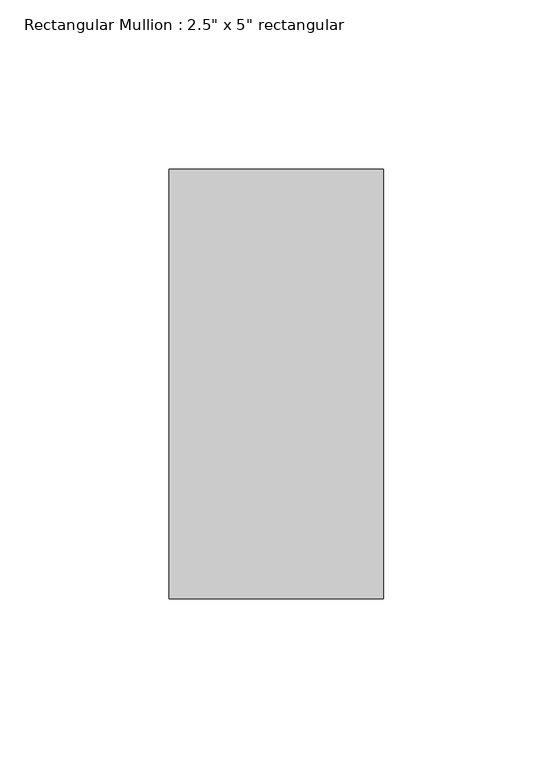
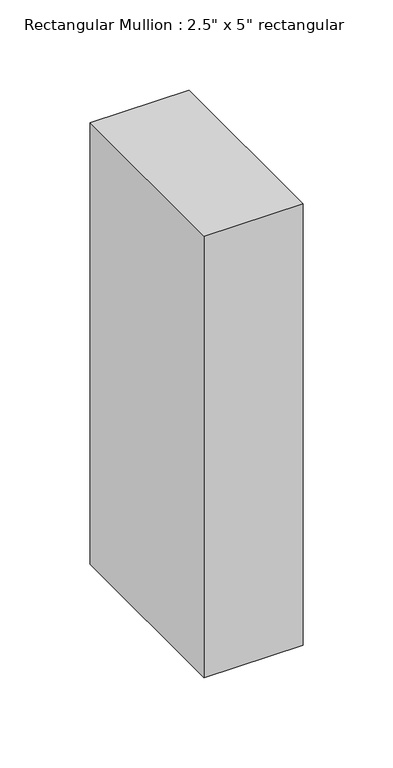
"""IFC4 building model written with IfcOpenShell, lengths in millimetres: member geometry."""

import ifcopenshell
import ifcopenshell.guid

model = None  # the IFC model being written
_history = None  # IfcOwnerHistory: only IFC2X3 demands one
_inside = {}  # id of a spatial element -> (the spatial element, [elements in it])
_under = {}  # id of a project, library or spatial element -> (it, [spatial elements below it])
_declared = {}  # id of a project -> (the project, [libraries it declares])
_typed = {}  # id of a type object -> (the type object, [elements of that type])
_made_of = {}  # id of a material, layer set ... -> (it, [elements and type objects made of it])


def new_model(schema):
    """Start an empty IFC model of exactly this schema.

    Asked for "IFC4X3", IfcOpenShell would pick the latest addendum, in which some entities
    have other attributes; the version numbers below select the first issue.
    IFC2X3 requires an IfcOwnerHistory on every rooted entity: one is made here for all.
    """
    global model, _history
    if schema == "IFC4X3":
        model = ifcopenshell.file(schema_version=(4, 3, 0, 0))
    else:
        model = ifcopenshell.file(schema=schema)
    _inside.clear()
    _under.clear()
    _declared.clear()
    _typed.clear()
    _made_of.clear()
    _history = None
    if model.schema == "IFC2X3":
        org = make("IfcOrganization", Name="unknown")
        user = make(
            "IfcPersonAndOrganization",
            ThePerson=make("IfcPerson", FamilyName="unknown"),
            TheOrganization=org,
        )
        app = make(
            "IfcApplication",
            ApplicationDeveloper=org,
            Version="unknown",
            ApplicationFullName="unknown",
            ApplicationIdentifier="unknown",
        )
        _history = make(
            "IfcOwnerHistory",
            OwningUser=user,
            OwningApplication=app,
            ChangeAction="ADDED",
            CreationDate=0,
        )
    return model


def make(cls, **values):
    """One entity of the class cls with the attributes given. An attribute that is None is left unset."""
    return model.create_entity(
        cls, **{name: value for name, value in values.items() if value is not None}
    )


def rooted(cls, **values):
    """An entity with a GlobalId (a new one), such as an element, a storey or a relation."""
    return make(cls, GlobalId=ifcopenshell.guid.new(), OwnerHistory=_history, **values)


def si_unit(unit_type, name, prefix=None):
    """IfcSIUnit, for example si_unit("LENGTHUNIT", "METRE", prefix="MILLI")."""
    return make("IfcSIUnit", UnitType=unit_type, Prefix=prefix, Name=name)


def assignment(units):
    """IfcUnitAssignment: the units of a project."""
    return None if units is None else make("IfcUnitAssignment", Units=units)


def point(xyz):
    """IfcCartesianPoint."""
    return None if xyz is None else make("IfcCartesianPoint", Coordinates=xyz)


def direction(xyz):
    """IfcDirection."""
    return None if xyz is None else make("IfcDirection", DirectionRatios=xyz)


def frame(location, z_axis=None, x_axis=None):
    """IfcAxis2Placement3D, a coordinate frame: its origin and axes. An axis left out is left unset."""
    return make(
        "IfcAxis2Placement3D",
        Location=point(location),
        Axis=direction(z_axis),
        RefDirection=direction(x_axis),
    )


def origin():
    """The frame at (0, 0, 0) with its axes left unset."""
    return frame((0.0, 0.0, 0.0))


def place(relative_to, where):
    """IfcLocalPlacement: puts the frame where relative to a parent placement (None: the world)."""
    return make(
        "IfcLocalPlacement", PlacementRelTo=relative_to, RelativePlacement=where
    )


def context(
    kind, dimensions, precision=None, world=None, true_north=None, identifier=None
):
    """IfcGeometricRepresentationContext, for example the 3D "Model" context."""
    return make(
        "IfcGeometricRepresentationContext",
        ContextIdentifier=identifier,
        ContextType=kind,
        CoordinateSpaceDimension=dimensions,
        Precision=precision,
        WorldCoordinateSystem=world,
        TrueNorth=true_north,
    )


def project(units=None, contexts=None):
    """IfcProject with its units and contexts."""
    return rooted(
        "IfcProject",
        Name="project",
        RepresentationContexts=contexts,
        UnitsInContext=assignment(units),
    )


def spatial(cls, under=None, at=None, **own):
    """A site, building, storey or space (cls), placed at a placement, below another one or the project."""
    s = rooted(cls, ObjectPlacement=at, **own)
    if under is not None:
        _under.setdefault(under.id(), (under, []))[1].append(s)
    return s


def polyline(points):
    """IfcPolyline through the points."""
    return make("IfcPolyline", Points=[point(p) for p in points])


def outline(outer, holes=None, kind="AREA"):
    """IfcArbitraryClosedProfileDef: a profile drawn as a closed curve; with holes, ...WithVoids."""
    if holes is None:
        return make("IfcArbitraryClosedProfileDef", ProfileType=kind, OuterCurve=outer)
    return make(
        "IfcArbitraryProfileDefWithVoids",
        ProfileType=kind,
        OuterCurve=outer,
        InnerCurves=holes,
    )


def extrude(swept, where, along, depth):
    """IfcExtrudedAreaSolid: the profile swept, set in the frame where, extruded along a direction by depth."""
    return make(
        "IfcExtrudedAreaSolid",
        SweptArea=swept,
        Position=where,
        ExtrudedDirection=direction(along),
        Depth=depth,
    )


def shape(context_of_items, identifier, shape_type, items):
    """IfcShapeRepresentation: the items that make up one representation, for example the "Body"."""
    return make(
        "IfcShapeRepresentation",
        ContextOfItems=context_of_items,
        RepresentationIdentifier=identifier,
        RepresentationType=shape_type,
        Items=items,
    )


def source(mapping_origin, context_of_items, identifier, shape_type, items):
    """IfcRepresentationMap: a shape defined once, which mapped items show again and again."""
    return make(
        "IfcRepresentationMap",
        MappingOrigin=mapping_origin,
        MappedRepresentation=shape(context_of_items, identifier, shape_type, items),
    )


def transform(
    local_origin,
    x_axis=None,
    y_axis=None,
    z_axis=None,
    scale=None,
    scale2=None,
    scale3=None,
    uniform=True,
):
    """IfcCartesianTransformationOperator3D, or its non-uniform kind. x_axis, y_axis, z_axis: its Axis1, 2, 3."""
    if uniform:
        return make(
            "IfcCartesianTransformationOperator3D",
            Axis1=direction(x_axis),
            Axis2=direction(y_axis),
            LocalOrigin=point(local_origin),
            Scale=scale,
            Axis3=direction(z_axis),
        )
    return make(
        "IfcCartesianTransformationOperator3DnonUniform",
        Axis1=direction(x_axis),
        Axis2=direction(y_axis),
        LocalOrigin=point(local_origin),
        Scale=scale,
        Axis3=direction(z_axis),
        Scale2=scale2,
        Scale3=scale3,
    )


def mapped(mapping_source, mapping_target):
    """IfcMappedItem: shows the shape of a source again, moved by a transform."""
    return make(
        "IfcMappedItem", MappingSource=mapping_source, MappingTarget=mapping_target
    )


def made_of(thing, what):
    """Note that an element or type object is made of a material, layer set ...; save() writes the relation."""
    if what is not None:
        _made_of.setdefault(what.id(), (what, []))[1].append(thing)
    return thing


def element(
    cls,
    number,
    at=None,
    inside=None,
    cuts=None,
    type_object=None,
    material=None,
    context=None,
    identifier="Body",
    shape_type=None,
    held_by="IfcProductDefinitionShape",
    body=None,
    shapes=None,
    **own,
):
    """One element of the class cls, such as IfcWall. Its Tag is "e" and its number.

    at: its placement. inside: the storey or other place that contains it. cuts: it is an
    opening in that element (IfcRelVoidsElement). A single representation is given by context,
    identifier, shape_type and body (its items); several are given by shapes. held_by: the class
    of the entity that holds the representations. save() writes the other relations.
    """
    e = rooted(cls, Tag="e%d" % number, ObjectPlacement=at, **own)
    if body is not None:
        shapes = [shape(context, identifier, shape_type, body)]
    if shapes is not None:
        e.Representation = make(held_by, Representations=shapes)
    if inside is not None:
        _inside.setdefault(inside.id(), (inside, []))[1].append(e)
    if cuts is not None:
        rooted(
            "IfcRelVoidsElement", RelatingBuildingElement=cuts, RelatedOpeningElement=e
        )
    if type_object is not None:
        _typed.setdefault(type_object.id(), (type_object, []))[1].append(e)
    return made_of(e, material)


def aggregate(whole, parts):
    """IfcRelAggregates: a whole, such as a stair, and the parts it consists of."""
    return rooted("IfcRelAggregates", RelatingObject=whole, RelatedObjects=parts)


def save(model, path):
    """Write the relations noted so far, then the file.

    IfcRelAggregates (storeys below a building ...), IfcRelContainedInSpatialStructure (elements
    in a storey), IfcRelDefinesByType, IfcRelAssociatesMaterial and IfcRelDeclares: one each for
    every whole, place, type object, material and project.
    """
    for whole, parts in _under.values():
        aggregate(whole, parts)
    for where, things in _inside.values():
        rooted(
            "IfcRelContainedInSpatialStructure",
            RelatedElements=things,
            RelatingStructure=where,
        )
    for kind, things in _typed.values():
        rooted("IfcRelDefinesByType", RelatedObjects=things, RelatingType=kind)
    for what, things in _made_of.values():
        rooted("IfcRelAssociatesMaterial", RelatedObjects=things, RelatingMaterial=what)
    for by, libraries in _declared.values():
        rooted("IfcRelDeclares", RelatingContext=by, RelatedDefinitions=libraries)
    model.write(path)


def member_10a4a041(model_context):
    return source(origin(), model_context, "Body", "SweptSolid", [
        extrude(outline(polyline([(0.0, 63.5), (0.0, -63.5), (-63.5, -63.5), (-63.5, 63.5), (0.0, 63.5)])), frame((0.0, 0.0, -299.4135094), z_axis=(0.0, 0.0, 1.0), x_axis=(1.0, 0.0, 0.0)), (0.0, 0.0, 1.0), 299.4135094),
    ])


if __name__ == "__main__":
    model = new_model("IFC4")
    model_context = context("Model", 3, world=origin())
    ifc_project = project(units=[si_unit("LENGTHUNIT", "METRE", prefix="MILLI")], contexts=[model_context])
    site = spatial("IfcSite", under=ifc_project)
    building = spatial("IfcBuilding", under=site)
    placement = place(None, origin())
    member_shape = member_10a4a041(model_context)
    element("IfcMember", 1, ObjectType="Rectangular Mullion : 2.5\" x 5\" rectangular", at=placement, inside=building, context=model_context, shape_type="MappedRepresentation", body=[
        mapped(member_shape, transform((0.0, 0.0, 0.0), x_axis=(1.0, 0.0, 0.0), y_axis=(0.0, 1.0, 0.0), z_axis=(0.0, 0.0, 1.0))),
    ])
    save(model, "model.ifc")
